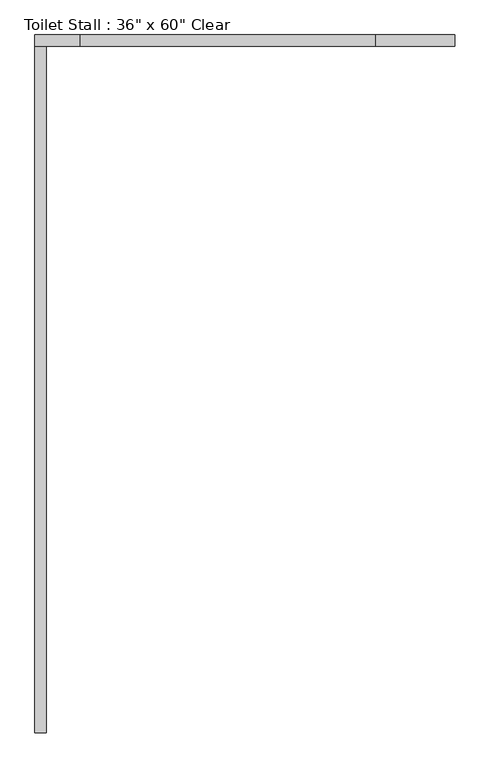
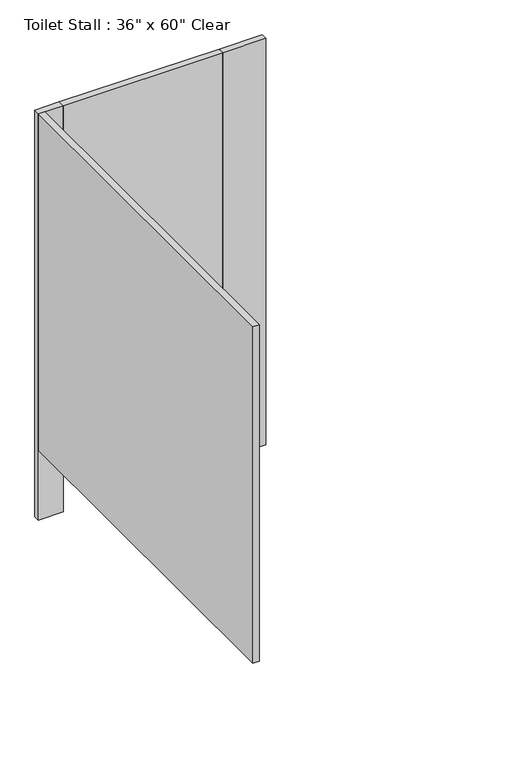
"""IFC4 building model written with IfcOpenShell, lengths in millimetres: proxy geometry."""

from ifc_helpers import new_model, si_unit, frame, origin, origin_with_axes, place, context, project, spatial, polyline, outline, extrude, source, transform, mapped, element, save


def proxy_6eb89fc7(model_context):
    return source(origin(), model_context, "Body", "SweptSolid", [
        extrude(outline(polyline([(684.3031538, 1625.6), (684.3031538, 1600.2), (23.9031538, 1600.2), (23.9031538, 1625.6), (684.3031538, 1625.6)])), frame((0.0, 0.0, 304.8), z_axis=(0.0, 0.0, 1.0), x_axis=(1.0, 0.0, 0.0)), (0.0, 0.0, 1.0), 1473.2),
        extrude(outline(polyline([(23.9031538, 1625.6), (23.9031538, 1600.2), (-77.6968462, 1600.2), (-77.6968462, 1625.6), (23.9031538, 1625.6)])), origin_with_axes(), (0.0, 0.0, 1.0), 1778.0),
        extrude(outline(polyline([(862.1031538, 1625.6), (862.1031538, 1600.2), (684.3031538, 1600.2), (684.3031538, 1625.6), (862.1031538, 1625.6)])), origin_with_axes(), (0.0, 0.0, 1.0), 1778.0),
        extrude(outline(polyline([(-77.6968462, 1600.2), (-52.2968462, 1600.2), (-52.2968462, 63.5), (-77.6968462, 63.5), (-77.6968462, 1600.2)])), frame((0.0, 0.0, 304.8), z_axis=(0.0, 0.0, 1.0), x_axis=(1.0, 0.0, 0.0)), (0.0, 0.0, 1.0), 1473.2),
    ])


if __name__ == "__main__":
    model = new_model("IFC4")
    model_context = context("Model", 3, world=origin())
    ifc_project = project(units=[si_unit("LENGTHUNIT", "METRE", prefix="MILLI")], contexts=[model_context])
    site = spatial("IfcSite", under=ifc_project)
    building = spatial("IfcBuilding", under=site)
    placement = place(None, origin())
    proxy_shape = proxy_6eb89fc7(model_context)
    element("IfcBuildingElementProxy", 1, Name="Toilet Stall : 36\" x 60\" Clear", ObjectType="Toilet Stall : 36\" x 60\" Clear", at=placement, inside=building, context=model_context, shape_type="MappedRepresentation", body=[
        mapped(proxy_shape, transform((0.0, 0.0, 0.0), x_axis=(1.0, 0.0, 0.0), y_axis=(0.0, 1.0, 0.0), z_axis=(0.0, 0.0, 1.0))),
    ])
    save(model, "model.ifc")
